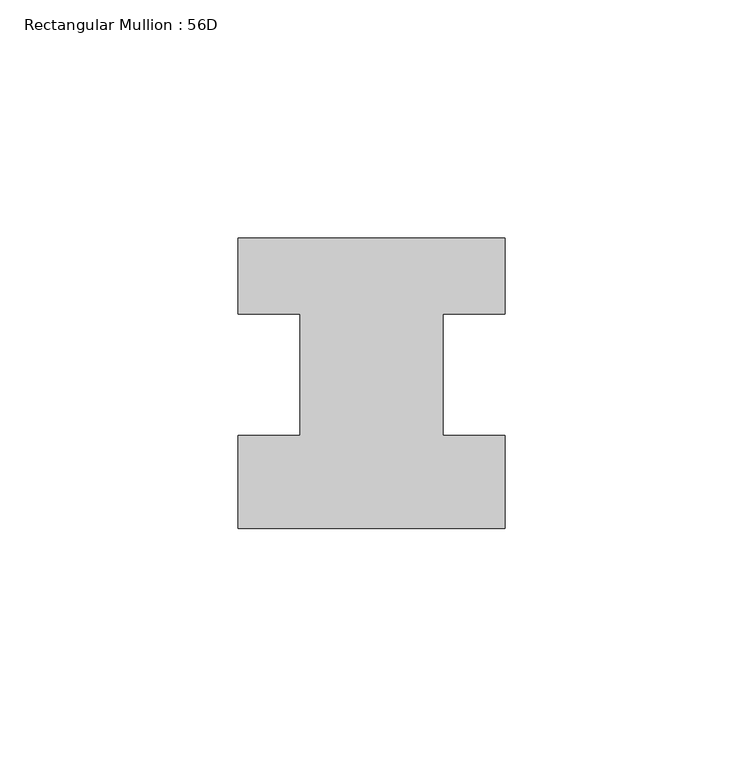
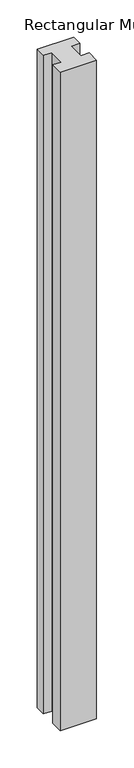
"""IFC4 building model written with IfcOpenShell, lengths in millimetres: member geometry, Rectangular Mullion : 56D."""

import ifcopenshell
import ifcopenshell.guid

model = None  # the IFC model being written
_history = None  # IfcOwnerHistory: only IFC2X3 demands one
_inside = {}  # id of a spatial element -> (the spatial element, [elements in it])
_under = {}  # id of a project, library or spatial element -> (it, [spatial elements below it])
_declared = {}  # id of a project -> (the project, [libraries it declares])
_typed = {}  # id of a type object -> (the type object, [elements of that type])
_made_of = {}  # id of a material, layer set ... -> (it, [elements and type objects made of it])


def new_model(schema):
    """Start an empty IFC model of exactly this schema.

    Asked for "IFC4X3", IfcOpenShell would pick the latest addendum, in which some entities
    have other attributes; the version numbers below select the first issue.
    IFC2X3 requires an IfcOwnerHistory on every rooted entity: one is made here for all.
    """
    global model, _history
    if schema == "IFC4X3":
        model = ifcopenshell.file(schema_version=(4, 3, 0, 0))
    else:
        model = ifcopenshell.file(schema=schema)
    _inside.clear()
    _under.clear()
    _declared.clear()
    _typed.clear()
    _made_of.clear()
    _history = None
    if model.schema == "IFC2X3":
        org = make("IfcOrganization", Name="unknown")
        user = make(
            "IfcPersonAndOrganization",
            ThePerson=make("IfcPerson", FamilyName="unknown"),
            TheOrganization=org,
        )
        app = make(
            "IfcApplication",
            ApplicationDeveloper=org,
            Version="unknown",
            ApplicationFullName="unknown",
            ApplicationIdentifier="unknown",
        )
        _history = make(
            "IfcOwnerHistory",
            OwningUser=user,
            OwningApplication=app,
            ChangeAction="ADDED",
            CreationDate=0,
        )
    return model


def make(cls, **values):
    """One entity of the class cls with the attributes given. An attribute that is None is left unset."""
    return model.create_entity(
        cls, **{name: value for name, value in values.items() if value is not None}
    )


def rooted(cls, **values):
    """An entity with a GlobalId (a new one), such as an element, a storey or a relation."""
    return make(cls, GlobalId=ifcopenshell.guid.new(), OwnerHistory=_history, **values)


def si_unit(unit_type, name, prefix=None):
    """IfcSIUnit, for example si_unit("LENGTHUNIT", "METRE", prefix="MILLI")."""
    return make("IfcSIUnit", UnitType=unit_type, Prefix=prefix, Name=name)


def assignment(units):
    """IfcUnitAssignment: the units of a project."""
    return None if units is None else make("IfcUnitAssignment", Units=units)


def point(xyz):
    """IfcCartesianPoint."""
    return None if xyz is None else make("IfcCartesianPoint", Coordinates=xyz)


def direction(xyz):
    """IfcDirection."""
    return None if xyz is None else make("IfcDirection", DirectionRatios=xyz)


def frame(location, z_axis=None, x_axis=None):
    """IfcAxis2Placement3D, a coordinate frame: its origin and axes. An axis left out is left unset."""
    return make(
        "IfcAxis2Placement3D",
        Location=point(location),
        Axis=direction(z_axis),
        RefDirection=direction(x_axis),
    )


def origin():
    """The frame at (0, 0, 0) with its axes left unset."""
    return frame((0.0, 0.0, 0.0))


def place(relative_to, where):
    """IfcLocalPlacement: puts the frame where relative to a parent placement (None: the world)."""
    return make(
        "IfcLocalPlacement", PlacementRelTo=relative_to, RelativePlacement=where
    )


def context(
    kind, dimensions, precision=None, world=None, true_north=None, identifier=None
):
    """IfcGeometricRepresentationContext, for example the 3D "Model" context."""
    return make(
        "IfcGeometricRepresentationContext",
        ContextIdentifier=identifier,
        ContextType=kind,
        CoordinateSpaceDimension=dimensions,
        Precision=precision,
        WorldCoordinateSystem=world,
        TrueNorth=true_north,
    )


def project(units=None, contexts=None):
    """IfcProject with its units and contexts."""
    return rooted(
        "IfcProject",
        Name="project",
        RepresentationContexts=contexts,
        UnitsInContext=assignment(units),
    )


def spatial(cls, under=None, at=None, **own):
    """A site, building, storey or space (cls), placed at a placement, below another one or the project."""
    s = rooted(cls, ObjectPlacement=at, **own)
    if under is not None:
        _under.setdefault(under.id(), (under, []))[1].append(s)
    return s


def polyline(points):
    """IfcPolyline through the points."""
    return make("IfcPolyline", Points=[point(p) for p in points])


def outline(outer, holes=None, kind="AREA"):
    """IfcArbitraryClosedProfileDef: a profile drawn as a closed curve; with holes, ...WithVoids."""
    if holes is None:
        return make("IfcArbitraryClosedProfileDef", ProfileType=kind, OuterCurve=outer)
    return make(
        "IfcArbitraryProfileDefWithVoids",
        ProfileType=kind,
        OuterCurve=outer,
        InnerCurves=holes,
    )


def extrude(swept, where, along, depth):
    """IfcExtrudedAreaSolid: the profile swept, set in the frame where, extruded along a direction by depth."""
    return make(
        "IfcExtrudedAreaSolid",
        SweptArea=swept,
        Position=where,
        ExtrudedDirection=direction(along),
        Depth=depth,
    )


def shape(context_of_items, identifier, shape_type, items):
    """IfcShapeRepresentation: the items that make up one representation, for example the "Body"."""
    return make(
        "IfcShapeRepresentation",
        ContextOfItems=context_of_items,
        RepresentationIdentifier=identifier,
        RepresentationType=shape_type,
        Items=items,
    )


def source(mapping_origin, context_of_items, identifier, shape_type, items):
    """IfcRepresentationMap: a shape defined once, which mapped items show again and again."""
    return make(
        "IfcRepresentationMap",
        MappingOrigin=mapping_origin,
        MappedRepresentation=shape(context_of_items, identifier, shape_type, items),
    )


def transform(
    local_origin,
    x_axis=None,
    y_axis=None,
    z_axis=None,
    scale=None,
    scale2=None,
    scale3=None,
    uniform=True,
):
    """IfcCartesianTransformationOperator3D, or its non-uniform kind. x_axis, y_axis, z_axis: its Axis1, 2, 3."""
    if uniform:
        return make(
            "IfcCartesianTransformationOperator3D",
            Axis1=direction(x_axis),
            Axis2=direction(y_axis),
            LocalOrigin=point(local_origin),
            Scale=scale,
            Axis3=direction(z_axis),
        )
    return make(
        "IfcCartesianTransformationOperator3DnonUniform",
        Axis1=direction(x_axis),
        Axis2=direction(y_axis),
        LocalOrigin=point(local_origin),
        Scale=scale,
        Axis3=direction(z_axis),
        Scale2=scale2,
        Scale3=scale3,
    )


def mapped(mapping_source, mapping_target):
    """IfcMappedItem: shows the shape of a source again, moved by a transform."""
    return make(
        "IfcMappedItem", MappingSource=mapping_source, MappingTarget=mapping_target
    )


def made_of(thing, what):
    """Note that an element or type object is made of a material, layer set ...; save() writes the relation."""
    if what is not None:
        _made_of.setdefault(what.id(), (what, []))[1].append(thing)
    return thing


def element(
    cls,
    number,
    at=None,
    inside=None,
    cuts=None,
    type_object=None,
    material=None,
    context=None,
    identifier="Body",
    shape_type=None,
    held_by="IfcProductDefinitionShape",
    body=None,
    shapes=None,
    **own,
):
    """One element of the class cls, such as IfcWall. Its Tag is "e" and its number.

    at: its placement. inside: the storey or other place that contains it. cuts: it is an
    opening in that element (IfcRelVoidsElement). A single representation is given by context,
    identifier, shape_type and body (its items); several are given by shapes. held_by: the class
    of the entity that holds the representations. save() writes the other relations.
    """
    e = rooted(cls, Tag="e%d" % number, ObjectPlacement=at, **own)
    if body is not None:
        shapes = [shape(context, identifier, shape_type, body)]
    if shapes is not None:
        e.Representation = make(held_by, Representations=shapes)
    if inside is not None:
        _inside.setdefault(inside.id(), (inside, []))[1].append(e)
    if cuts is not None:
        rooted(
            "IfcRelVoidsElement", RelatingBuildingElement=cuts, RelatedOpeningElement=e
        )
    if type_object is not None:
        _typed.setdefault(type_object.id(), (type_object, []))[1].append(e)
    return made_of(e, material)


def aggregate(whole, parts):
    """IfcRelAggregates: a whole, such as a stair, and the parts it consists of."""
    return rooted("IfcRelAggregates", RelatingObject=whole, RelatedObjects=parts)


def save(model, path):
    """Write the relations noted so far, then the file.

    IfcRelAggregates (storeys below a building ...), IfcRelContainedInSpatialStructure (elements
    in a storey), IfcRelDefinesByType, IfcRelAssociatesMaterial and IfcRelDeclares: one each for
    every whole, place, type object, material and project.
    """
    for whole, parts in _under.values():
        aggregate(whole, parts)
    for where, things in _inside.values():
        rooted(
            "IfcRelContainedInSpatialStructure",
            RelatedElements=things,
            RelatingStructure=where,
        )
    for kind, things in _typed.values():
        rooted("IfcRelDefinesByType", RelatedObjects=things, RelatingType=kind)
    for what, things in _made_of.values():
        rooted("IfcRelAssociatesMaterial", RelatedObjects=things, RelatingMaterial=what)
    for by, libraries in _declared.values():
        rooted("IfcRelDeclares", RelatingContext=by, RelatedDefinitions=libraries)
    model.write(path)


def rectangular_mullion_56d_c1b3938c(model_context):
    return source(origin(), model_context, "Body", "SweptSolid", [
        extrude(outline(polyline([(28.0, -20.0), (-28.0, -20.0), (-28.0, -0.5), (-15.0, -0.5), (-15.0, 25.0), (-28.0, 25.0), (-28.0, 41.0), (28.0, 41.0), (28.0, 25.0), (15.0, 25.0), (15.0, -0.5), (28.0, -0.5), (28.0, -20.0)])), frame((0.0, 0.0, -1075.0), z_axis=(0.0, 0.0, 1.0), x_axis=(1.0, 0.0, 0.0)), (0.0, 0.0, 1.0), 1075.0),
    ])


if __name__ == "__main__":
    model = new_model("IFC4")
    model_context = context("Model", 3, world=origin())
    ifc_project = project(units=[si_unit("LENGTHUNIT", "METRE", prefix="MILLI")], contexts=[model_context])
    site = spatial("IfcSite", under=ifc_project)
    building = spatial("IfcBuilding", under=site)
    placement = place(None, origin())
    rectangular_mullion_56d_shape = rectangular_mullion_56d_c1b3938c(model_context)
    element("IfcMember", 1, ObjectType="Rectangular Mullion : 56D", at=placement, inside=building, context=model_context, shape_type="MappedRepresentation", body=[
        mapped(rectangular_mullion_56d_shape, transform((0.0, 0.0, 0.0), x_axis=(1.0, 0.0, 0.0), y_axis=(0.0, 1.0, 0.0), z_axis=(0.0, 0.0, 1.0))),
    ])
    save(model, "model.ifc")
